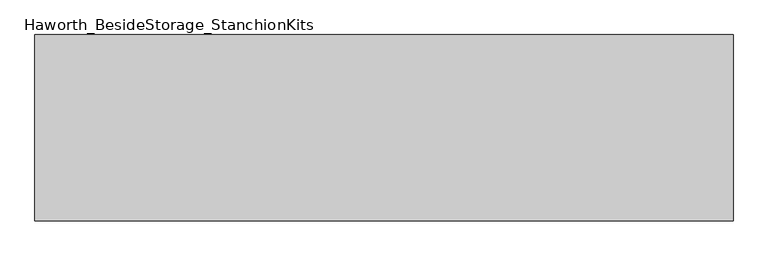
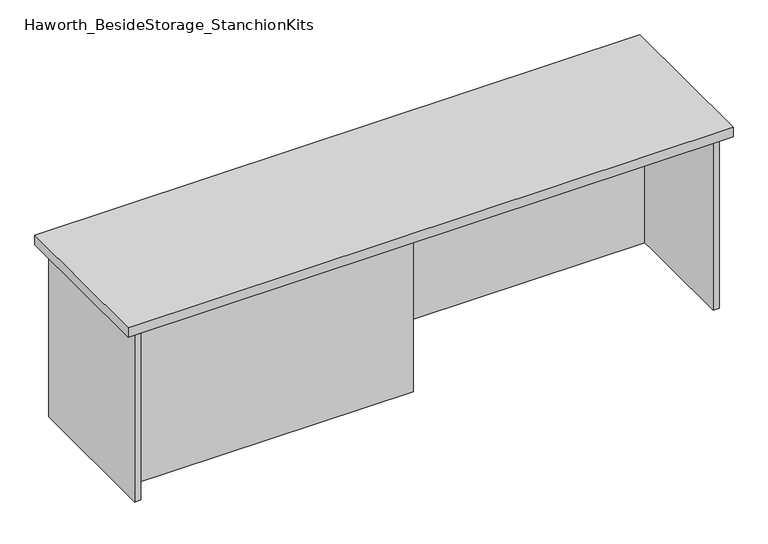
"""IFC4 building model written with IfcOpenShell, lengths in millimetres: furniture geometry, Haworth_BesideStorage_StanchionKits."""

from ifc_helpers import new_model, si_unit, frame, origin, place, context, project, spatial, polyline, outline, extrude, source, transform, mapped, element, save


def haworth_besidestorage_stanchionkits_4405bc67(model_context):
    return source(origin(), model_context, "Body", "SweptSolid", [
        extrude(outline(polyline([(923.925, 0.0), (923.925, -406.4), (-600.075, -406.4), (-600.075, 0.0), (923.925, 0.0)])), frame((0.0, 0.0, 889.0), z_axis=(0.0, 0.0, 1.0), x_axis=(1.0, 0.0, 0.0)), (0.0, 0.0, 1.0), 25.4),
        extrude(outline(polyline([(161.925, -76.2), (882.65, -76.2), (882.65, -92.075), (161.925, -92.075), (161.925, -76.2)])), frame((0.0, 0.0, 431.8), z_axis=(0.0, 0.0, 1.0), x_axis=(1.0, 0.0, 0.0)), (0.0, 0.0, 1.0), 457.2),
        extrude(outline(polyline([(161.925, -314.325), (161.925, -330.2), (-558.8, -330.2), (-558.8, -314.325), (161.925, -314.325)])), frame((0.0, 0.0, 431.8), z_axis=(0.0, 0.0, 1.0), x_axis=(1.0, 0.0, 0.0)), (0.0, 0.0, 1.0), 457.2),
        extrude(outline(polyline([(898.525, -390.525), (882.65, -390.525), (882.65, -15.875), (898.525, -15.875), (898.525, -390.525)])), frame((0.0, 0.0, 431.8), z_axis=(0.0, 0.0, 1.0), x_axis=(1.0, 0.0, 0.0)), (0.0, 0.0, 1.0), 457.2),
        extrude(outline(polyline([(-558.8, -390.525), (-574.675, -390.525), (-574.675, -15.875), (-558.8, -15.875), (-558.8, -390.525)])), frame((0.0, 0.0, 431.8), z_axis=(0.0, 0.0, 1.0), x_axis=(1.0, 0.0, 0.0)), (0.0, 0.0, 1.0), 457.2),
    ])


if __name__ == "__main__":
    model = new_model("IFC4")
    model_context = context("Model", 3, world=origin())
    ifc_project = project(units=[si_unit("LENGTHUNIT", "METRE", prefix="MILLI")], contexts=[model_context])
    site = spatial("IfcSite", under=ifc_project)
    building = spatial("IfcBuilding", under=site)
    placement = place(None, origin())
    haworth_besidestorage_stanchionkits_shape = haworth_besidestorage_stanchionkits_4405bc67(model_context)
    element("IfcFurniture", 1, ObjectType="Haworth_BesideStorage_StanchionKits", at=placement, inside=building, context=model_context, shape_type="MappedRepresentation", body=[
        mapped(haworth_besidestorage_stanchionkits_shape, transform((0.0, 0.0, 0.0), x_axis=(1.0, 0.0, 0.0), y_axis=(0.0, 1.0, 0.0), z_axis=(0.0, 0.0, 1.0))),
    ])
    save(model, "model.ifc")
